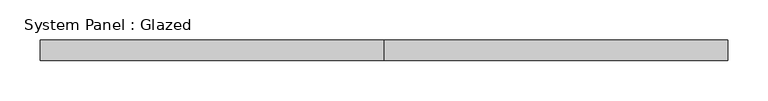
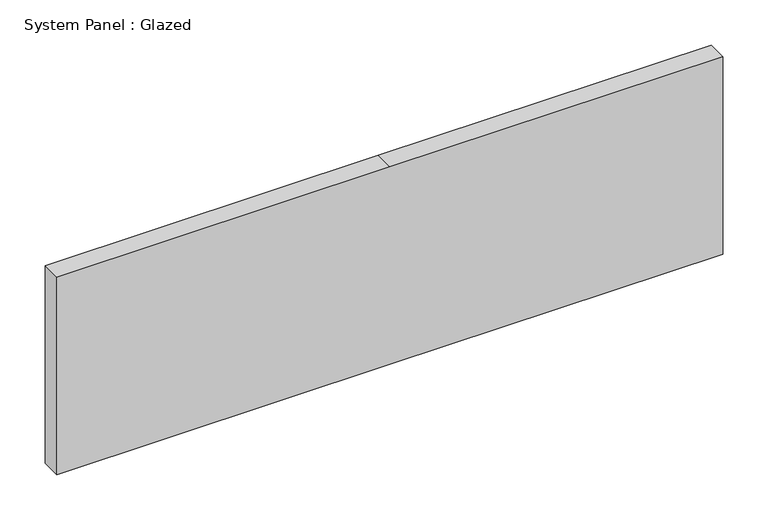
"""IFC4 building model written with IfcOpenShell, lengths in millimetres: plate geometry, System Panel : Glazed."""

from ifc_helpers import new_model, si_unit, frame, origin, place, context, project, spatial, polyline, outline, extrude, source, transform, mapped, element, save


def system_panel_glazed_de285a64(model_context):
    return source(origin(), model_context, "Body", "SweptSolid", [
        extrude(outline(polyline([(0.0, -425.45), (0.0, 0.0), (0.0, 425.45), (266.7, 425.45), (266.7, 0.0), (266.7, -425.45), (0.0, -425.45)])), frame((0.0, 19.05, 0.0), z_axis=(0.0, 1.0, 0.0), x_axis=(0.0, 0.0, 1.0)), (0.0, 0.0, 1.0), 25.4),
    ])


if __name__ == "__main__":
    model = new_model("IFC4")
    model_context = context("Model", 3, world=origin())
    ifc_project = project(units=[si_unit("LENGTHUNIT", "METRE", prefix="MILLI")], contexts=[model_context])
    site = spatial("IfcSite", under=ifc_project)
    building = spatial("IfcBuilding", under=site)
    placement = place(None, origin())
    system_panel_glazed_shape = system_panel_glazed_de285a64(model_context)
    element("IfcPlate", 1, ObjectType="System Panel : Glazed", at=placement, inside=building, context=model_context, shape_type="MappedRepresentation", body=[
        mapped(system_panel_glazed_shape, transform((0.0, 0.0, 0.0), x_axis=(1.0, 0.0, 0.0), y_axis=(0.0, 1.0, 0.0), z_axis=(0.0, 0.0, 1.0))),
    ])
    save(model, "model.ifc")
